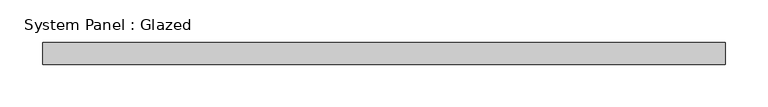
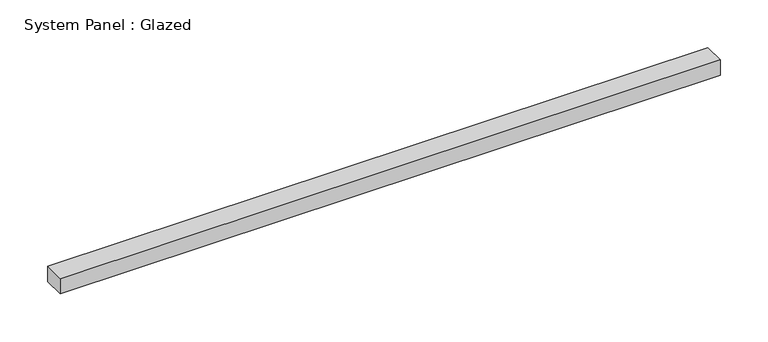
"""IFC4 building model written with IfcOpenShell, lengths in millimetres: plate geometry, System Panel : Glazed."""

from ifc_helpers import new_model, si_unit, origin, origin_with_axes, place, context, project, spatial, polyline, outline, extrude, source, transform, mapped, element, save


def system_panel_glazed_e4103646(model_context):
    return source(origin(), model_context, "Body", "SweptSolid", [
        extrude(outline(polyline([(398.0455024, -12.7), (-398.0455024, -12.7), (-398.0455024, 12.7), (398.0455024, 12.7), (398.0455024, -12.7)])), origin_with_axes(), (0.0, 0.0, 1.0), 19.4762751),
    ])


if __name__ == "__main__":
    model = new_model("IFC4")
    model_context = context("Model", 3, world=origin())
    ifc_project = project(units=[si_unit("LENGTHUNIT", "METRE", prefix="MILLI")], contexts=[model_context])
    site = spatial("IfcSite", under=ifc_project)
    building = spatial("IfcBuilding", under=site)
    placement = place(None, origin())
    system_panel_glazed_shape = system_panel_glazed_e4103646(model_context)
    element("IfcPlate", 1, ObjectType="System Panel : Glazed", at=placement, inside=building, context=model_context, shape_type="MappedRepresentation", body=[
        mapped(system_panel_glazed_shape, transform((0.0, 0.0, 0.0), x_axis=(1.0, 0.0, 0.0), y_axis=(0.0, 1.0, 0.0), z_axis=(0.0, 0.0, 1.0))),
    ])
    save(model, "model.ifc")
